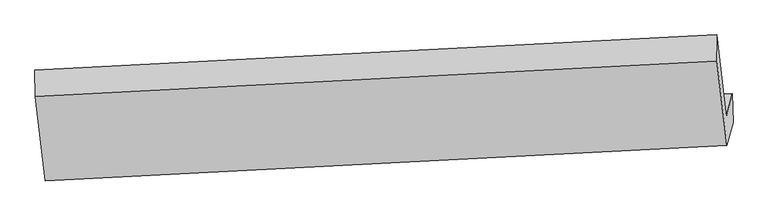
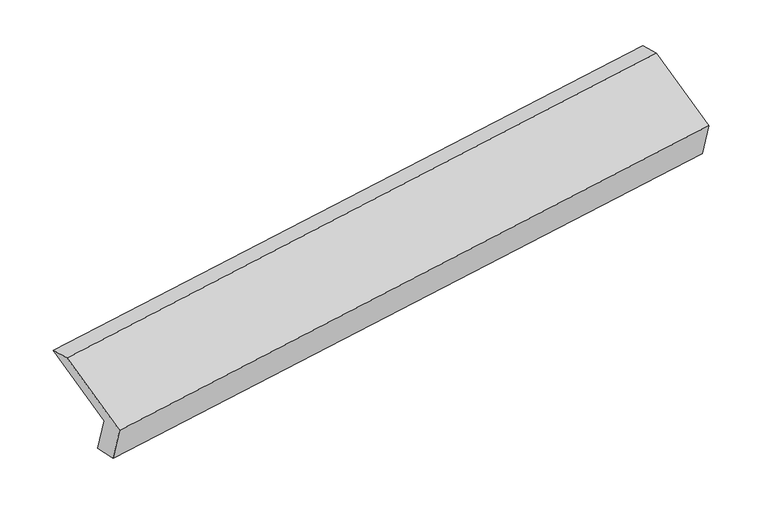
"""IFC4 building model written with IfcOpenShell, lengths in millimetres: proxy geometry."""

from ifc_helpers import new_model, si_unit, frame, origin, place, context, project, spatial, polyline, outline, extrude, source, transform, mapped, element, save


def generic_models_9a15b5ff(model_context):
    return source(origin(), model_context, "Body", "SweptSolid", [
        extrude(outline(polyline([(-69.8430511, -136.0671481), (328.6515454, -136.0671482), (202.6745833, -310.2623755), (-195.8200133, -310.2623755), (-195.8200132, 369.2319099), (-69.8430511, 523.4271373), (-69.8430511, -136.0671481)])), frame((-5345.6292493, -1634.8668735, 1557.6217938), z_axis=(0.9878144605130866, 0.05134523552910457, 0.14692262722161178), x_axis=(0.11187606563703857, 0.4220072812565468, -0.8996630483153317)), (0.0, 0.0, 1.0), 5030.5195664),
    ])


if __name__ == "__main__":
    model = new_model("IFC4")
    model_context = context("Model", 3, world=origin())
    ifc_project = project(units=[si_unit("LENGTHUNIT", "METRE", prefix="MILLI")], contexts=[model_context])
    site = spatial("IfcSite", under=ifc_project)
    building = spatial("IfcBuilding", under=site)
    placement = place(None, origin())
    generic_models_shape = generic_models_9a15b5ff(model_context)
    element("IfcBuildingElementProxy", 1, Name="Generic Models", at=placement, inside=building, context=model_context, shape_type="MappedRepresentation", body=[
        mapped(generic_models_shape, transform((0.0, 0.0, 0.0), x_axis=(1.0, 0.0, 0.0), y_axis=(0.0, 1.0, 0.0), z_axis=(0.0, 0.0, 1.0))),
    ])
    save(model, "model.ifc")
